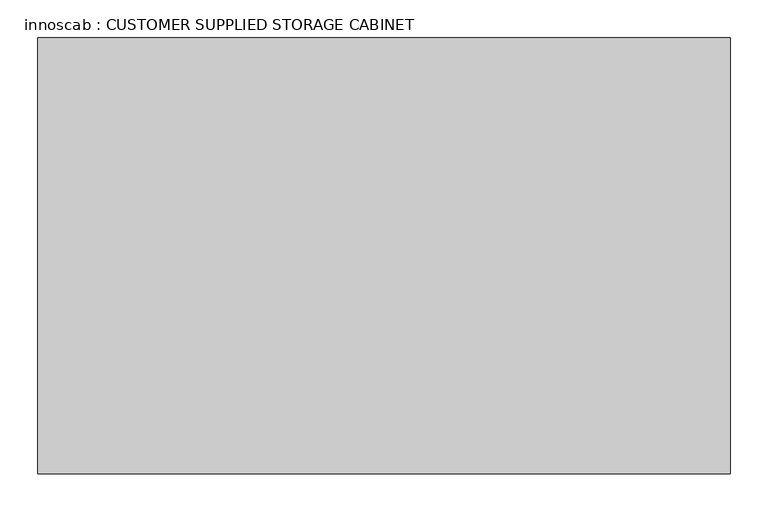
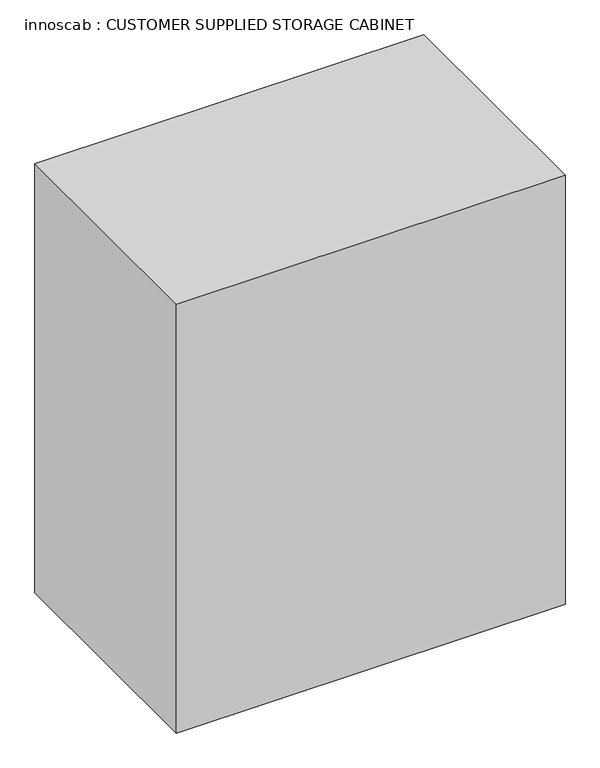
"""IFC4 building model written with IfcOpenShell, lengths in millimetres: proxy geometry, innoscab : CUSTOMER SUPPLIED STORAGE CABINET."""

from ifc_helpers import new_model, si_unit, frame, origin, place, context, project, spatial, polyline, outline, extrude, source, transform, mapped, element, save


def innoscab_customer_supplied_storage_cabinet_d9680545(model_context):
    return source(origin(), model_context, "Body", "SweptSolid", [
        extrude(outline(polyline([(0.0, 457.2), (1066.8, 457.2), (1066.8, -457.2), (0.0, -457.2), (0.0, 0.0), (0.0, 457.2)])), frame((0.0, -575.4341584, 0.0), z_axis=(0.0, 1.0, 0.0), x_axis=(0.0, 0.0, 1.0)), (0.0, 0.0, 1.0), 575.4341584),
    ])


if __name__ == "__main__":
    model = new_model("IFC4")
    model_context = context("Model", 3, world=origin())
    ifc_project = project(units=[si_unit("LENGTHUNIT", "METRE", prefix="MILLI")], contexts=[model_context])
    site = spatial("IfcSite", under=ifc_project)
    building = spatial("IfcBuilding", under=site)
    placement = place(None, origin())
    innoscab_customer_supplied_storage_cabinet_shape = innoscab_customer_supplied_storage_cabinet_d9680545(model_context)
    element("IfcBuildingElementProxy", 1, Name="innoscab : CUSTOMER SUPPLIED STORAGE CABINET", ObjectType="innoscab : CUSTOMER SUPPLIED STORAGE CABINET", at=placement, inside=building, context=model_context, shape_type="MappedRepresentation", body=[
        mapped(innoscab_customer_supplied_storage_cabinet_shape, transform((0.0, 0.0, 0.0), x_axis=(1.0, 0.0, 0.0), y_axis=(0.0, 1.0, 0.0), z_axis=(0.0, 0.0, 1.0))),
    ])
    save(model, "model.ifc")
